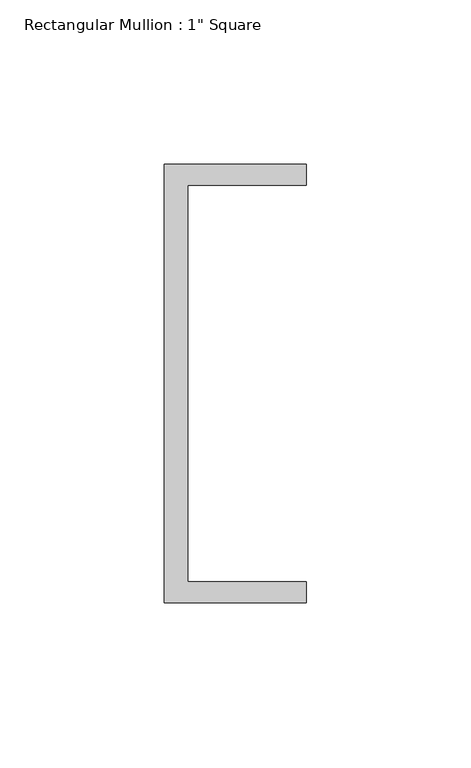
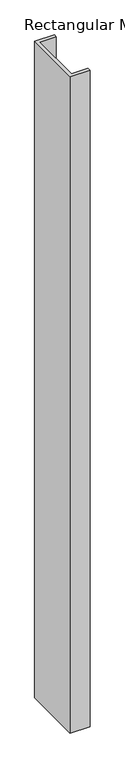
"""IFC4 building model written with IfcOpenShell, lengths in millimetres: member geometry."""

from ifc_helpers import new_model, si_unit, frame, origin, place, context, project, spatial, polyline, outline, extrude, source, transform, mapped, element, save


def member_136d9849(model_context):
    return source(origin(), model_context, "Body", "SweptSolid", [
        extrude(outline(polyline([(-18.6549463, 135.2608739), (24.5675083, 135.2608739), (24.5675083, 128.9108739), (-11.6110886, 128.9108739), (-11.6110886, 8.2608739), (24.5675083, 8.2608739), (24.5675083, 1.9108739), (-18.6549463, 1.9108739), (-18.6549463, 135.2608739)])), frame((0.0, 0.0, -1510.4364934), z_axis=(0.0, 0.0, 1.0), x_axis=(1.0, 0.0, 0.0)), (0.0, 0.0, 1.0), 1510.4364934),
    ])


if __name__ == "__main__":
    model = new_model("IFC4")
    model_context = context("Model", 3, world=origin())
    ifc_project = project(units=[si_unit("LENGTHUNIT", "METRE", prefix="MILLI")], contexts=[model_context])
    site = spatial("IfcSite", under=ifc_project)
    building = spatial("IfcBuilding", under=site)
    placement = place(None, origin())
    member_shape = member_136d9849(model_context)
    element("IfcMember", 1, ObjectType="Rectangular Mullion : 1\" Square", at=placement, inside=building, context=model_context, shape_type="MappedRepresentation", body=[
        mapped(member_shape, transform((0.0, 0.0, 0.0), x_axis=(1.0, 0.0, 0.0), y_axis=(0.0, 1.0, 0.0), z_axis=(0.0, 0.0, 1.0))),
    ])
    save(model, "model.ifc")
